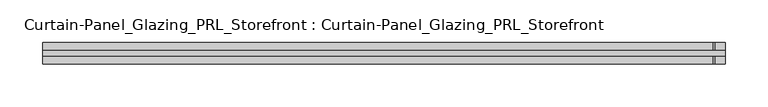
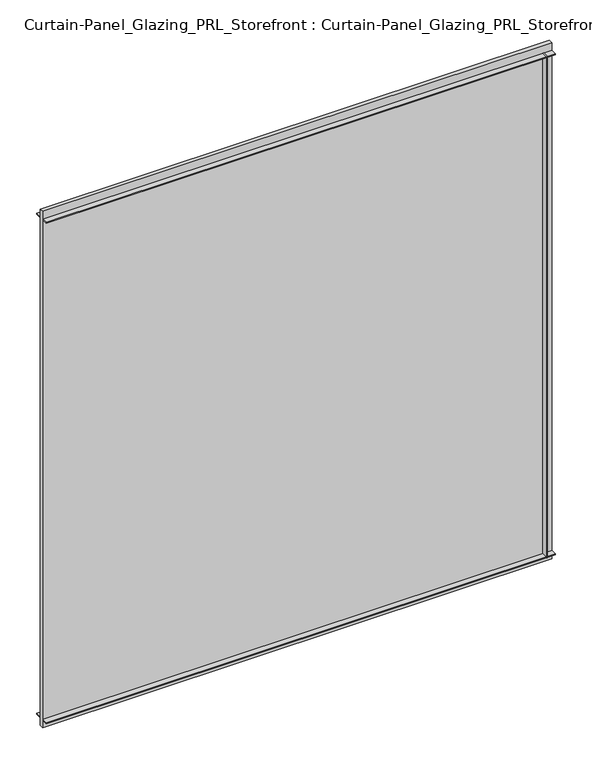
"""IFC4 building model written with IfcOpenShell, lengths in millimetres: plate geometry, Curtain-Panel_Glazing_PRL_Storefront : Curtain-Panel_Glazing_PRL_Storefront."""

from ifc_helpers import new_model, si_unit, frame, origin, origin_with_axes, place, context, project, spatial, polyline, outline, extrude, source, transform, mapped, element, save


def curtain_panel_glazing_prl_storefront_curtain_panel_glazing_e301dcd2(model_context):
    return source(origin(), model_context, "Body", "SweptSolid", [
        extrude(outline(polyline([(387.35, 12.7), (387.35, 3.175), (385.7625, 3.175), (385.7625, 12.7), (387.35, 12.7)])), frame((0.0, 0.0, 12.7), z_axis=(0.0, 0.0, 1.0), x_axis=(1.0, 0.0, 0.0)), (0.0, 0.0, 1.0), 831.85),
        extrude(outline(polyline([(387.35, -12.7), (385.7625, -12.7), (385.7625, -3.175), (387.35, -3.175), (387.35, -12.7)])), frame((0.0, 0.0, 12.7), z_axis=(0.0, 0.0, 1.0), x_axis=(1.0, 0.0, 0.0)), (0.0, 0.0, 1.0), 831.85),
        extrude(outline(polyline([(400.05, -3.175), (-400.05, -3.175), (-400.05, 3.175), (400.05, 3.175), (400.05, -3.175)])), origin_with_axes(), (0.0, 0.0, 1.0), 857.25),
        extrude(outline(polyline([(-400.05, 12.7), (400.05, 12.7), (400.05, 3.175), (-400.05, 3.175), (-400.05, 12.7)])), frame((0.0, 0.0, 842.9625), z_axis=(0.0, 0.0, 1.0), x_axis=(1.0, 0.0, 0.0)), (0.0, 0.0, 1.0), 1.5875),
        extrude(outline(polyline([(-400.05, -12.7), (-400.05, -3.175), (400.05, -3.175), (400.05, -12.7), (-400.05, -12.7)])), frame((0.0, 0.0, 842.9625), z_axis=(0.0, 0.0, 1.0), x_axis=(1.0, 0.0, 0.0)), (0.0, 0.0, 1.0), 1.5875),
        extrude(outline(polyline([(-400.05, 12.7), (400.05, 12.7), (400.05, 3.175), (-400.05, 3.175), (-400.05, 12.7)])), frame((0.0, 0.0, 12.7), z_axis=(0.0, 0.0, 1.0), x_axis=(1.0, 0.0, 0.0)), (0.0, 0.0, 1.0), 1.5875),
        extrude(outline(polyline([(-400.05, -12.7), (-400.05, -3.175), (400.05, -3.175), (400.05, -12.7), (-400.05, -12.7)])), frame((0.0, 0.0, 12.7), z_axis=(0.0, 0.0, 1.0), x_axis=(1.0, 0.0, 0.0)), (0.0, 0.0, 1.0), 1.5875),
    ])


if __name__ == "__main__":
    model = new_model("IFC4")
    model_context = context("Model", 3, world=origin())
    ifc_project = project(units=[si_unit("LENGTHUNIT", "METRE", prefix="MILLI")], contexts=[model_context])
    site = spatial("IfcSite", under=ifc_project)
    building = spatial("IfcBuilding", under=site)
    placement = place(None, origin())
    curtain_panel_glazing_prl_storefront_curtain_panel_glazing_shape = curtain_panel_glazing_prl_storefront_curtain_panel_glazing_e301dcd2(model_context)
    element("IfcPlate", 1, ObjectType="Curtain-Panel_Glazing_PRL_Storefront : Curtain-Panel_Glazing_PRL_Storefront", at=placement, inside=building, context=model_context, shape_type="MappedRepresentation", body=[
        mapped(curtain_panel_glazing_prl_storefront_curtain_panel_glazing_shape, transform((0.0, 0.0, 0.0), x_axis=(1.0, 0.0, 0.0), y_axis=(0.0, 1.0, 0.0), z_axis=(0.0, 0.0, 1.0))),
    ])
    save(model, "model.ifc")
